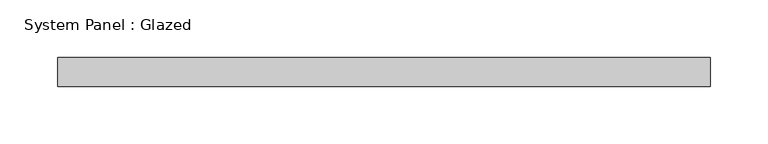
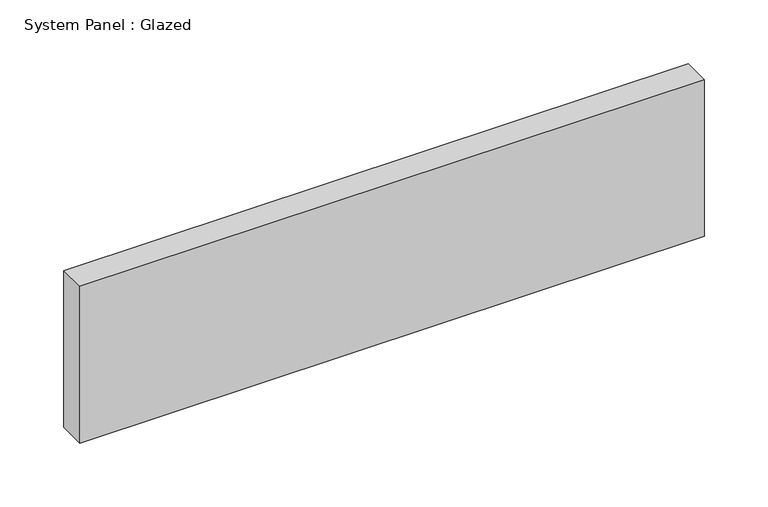
"""IFC4 building model written with IfcOpenShell, lengths in millimetres: plate geometry, System Panel : Glazed."""

from ifc_helpers import new_model, si_unit, origin, origin_with_axes, place, context, project, spatial, polyline, outline, extrude, source, transform, mapped, element, save


def system_panel_glazed_6ea5bc1a(model_context):
    return source(origin(), model_context, "Body", "SweptSolid", [
        extrude(outline(polyline([(282.75, 24.5), (-282.75, 24.5), (-282.75, 49.5), (282.75, 49.5), (282.75, 24.5)])), origin_with_axes(), (0.0, 0.0, 1.0), 150.0),
    ])


if __name__ == "__main__":
    model = new_model("IFC4")
    model_context = context("Model", 3, world=origin())
    ifc_project = project(units=[si_unit("LENGTHUNIT", "METRE", prefix="MILLI")], contexts=[model_context])
    site = spatial("IfcSite", under=ifc_project)
    building = spatial("IfcBuilding", under=site)
    placement = place(None, origin())
    system_panel_glazed_shape = system_panel_glazed_6ea5bc1a(model_context)
    element("IfcPlate", 1, ObjectType="System Panel : Glazed", at=placement, inside=building, context=model_context, shape_type="MappedRepresentation", body=[
        mapped(system_panel_glazed_shape, transform((0.0, 0.0, 0.0), x_axis=(1.0, 0.0, 0.0), y_axis=(0.0, 1.0, 0.0), z_axis=(0.0, 0.0, 1.0))),
    ])
    save(model, "model.ifc")
